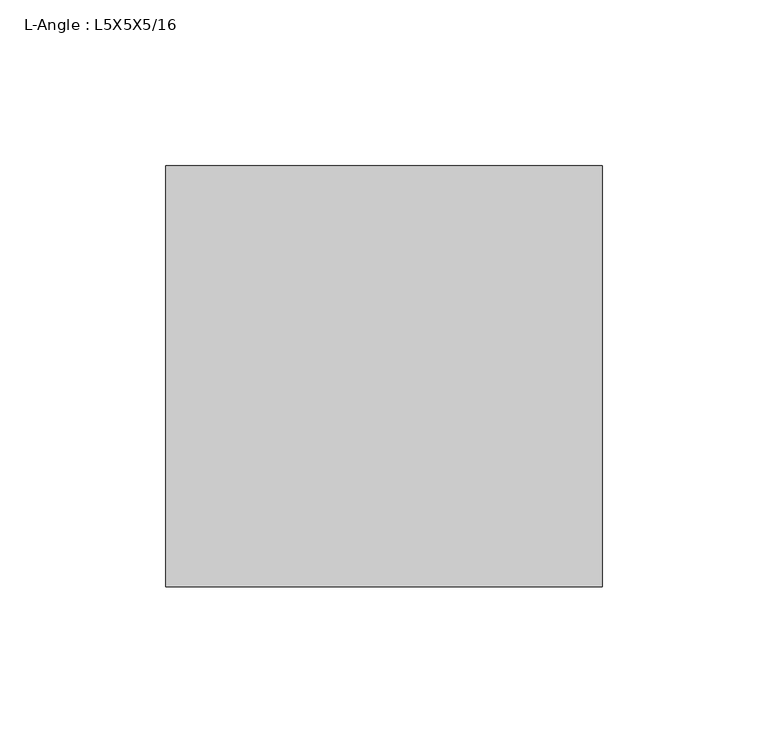
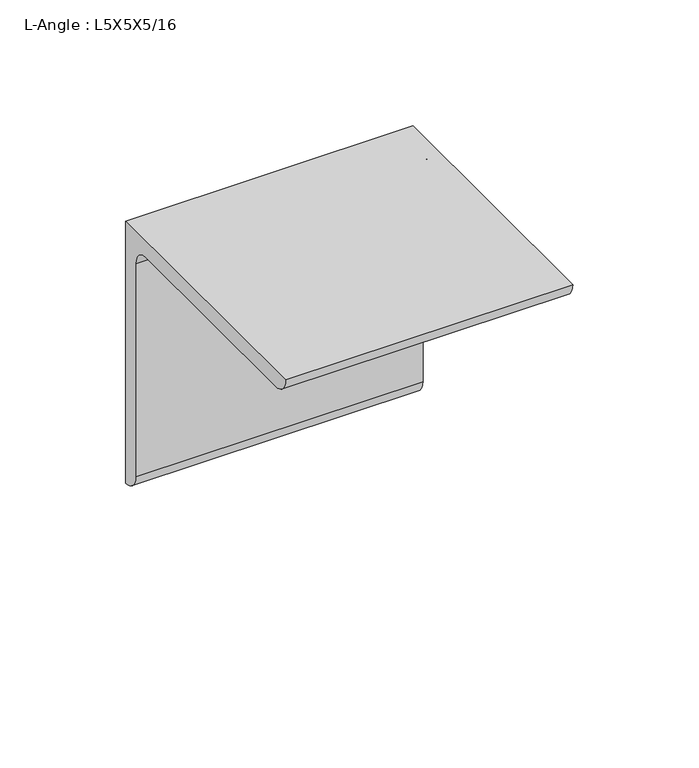
"""IFC4 building model written with IfcOpenShell, lengths in millimetres: beam geometry, L-Angle : L5X5X5/16."""

from ifc_helpers import new_model, si_unit, point, frame, frame_2d, origin, place, context, project, spatial, polyline, circle_curve, trimmed, segment, composite_curve, outline, extrude, source, transform, mapped, element, save


def l_angle_l5x5x5_16_af6176f6(model_context):
    return source(origin(), model_context, "Body", "SweptSolid", [
        extrude(outline(composite_curve([segment(polyline([(34.3296875, 34.3296875), (34.3296875, -92.6703125)]), True, "CONTINUOUS"), segment(trimmed(circle_curve(frame_2d((34.3296875, -84.7328125)), 7.9375), [point((34.3296875, -92.6703125))], [point((26.3921875, -84.7328125))], False, "CARTESIAN"), True, "CONTINUOUS"), segment(polyline([(26.3921875, -84.7328125), (26.3921875, 18.4546875)]), True, "CONTINUOUS"), segment(trimmed(circle_curve(frame_2d((18.4546875, 18.4546875)), 7.9375), [point((26.3921875, 18.4546875))], [point((18.4546875, 26.3921875))], True, "CARTESIAN"), True, "CONTINUOUS"), segment(polyline([(18.4546875, 26.3921875), (-84.7328125, 26.3921875)]), True, "CONTINUOUS"), segment(trimmed(circle_curve(frame_2d((-84.7328125, 34.3296875)), 7.9375), [point((-84.7328125, 26.3921875))], [point((-92.6703125, 34.3296875))], False, "CARTESIAN"), True, "CONTINUOUS"), segment(polyline([(-92.6703125, 34.3296875), (34.3296875, 34.3296875)]), True, "CONTINUOUS")], self_intersect=False)), frame((-47.0296875, 0.0, 0.0), z_axis=(1.0, 0.0, 0.0), x_axis=(0.0, 1.0, 0.0)), (0.0, 0.0, 1.0), 131.6546418),
    ])


if __name__ == "__main__":
    model = new_model("IFC4")
    model_context = context("Model", 3, world=origin())
    ifc_project = project(units=[si_unit("LENGTHUNIT", "METRE", prefix="MILLI")], contexts=[model_context])
    site = spatial("IfcSite", under=ifc_project)
    building = spatial("IfcBuilding", under=site)
    placement = place(None, origin())
    l_angle_l5x5x5_16_shape = l_angle_l5x5x5_16_af6176f6(model_context)
    element("IfcBeam", 1, ObjectType="L-Angle : L5X5X5/16", at=placement, inside=building, context=model_context, shape_type="MappedRepresentation", body=[
        mapped(l_angle_l5x5x5_16_shape, transform((0.0, 0.0, 0.0), x_axis=(1.0, 0.0, 0.0), y_axis=(0.0, 1.0, 0.0), z_axis=(0.0, 0.0, 1.0))),
    ])
    save(model, "model.ifc")
